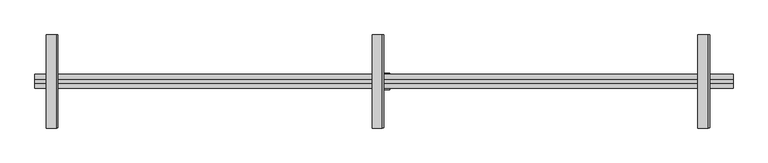
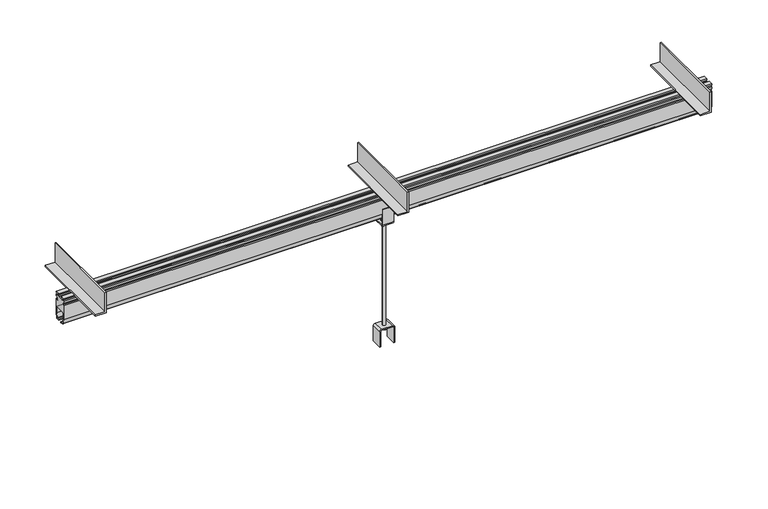
"""IFC4 building model written with IfcOpenShell, lengths in millimetres: proxy geometry."""

from ifc_helpers import new_model, si_unit, point, frame, frame_2d, origin, place, context, project, spatial, polyline, circle_curve, trimmed, segment, composite_curve, outline, extrude, source, transform, mapped, element, save
from ifc_brep_helpers import plane_surface, cylinder_surface, advanced_brep


def specialty_equipment_0fb477f2(model_context):
    return source(origin(), model_context, "Body", "SolidModel", [
        extrude(outline(composite_curve([segment(polyline([(120.0, -35.0), (46.0, -35.0), (46.0, -30.0), (120.0, -30.0)]), True, "CONTINUOUS"), segment(trimmed(circle_curve(frame_2d((120.0, -25.0)), 5.0), [point((120.0, -30.0))], [point((125.0, -25.0))], True, "CARTESIAN"), True, "CONTINUOUS"), segment(polyline([(125.0, -25.0), (125.0, 25.0)]), True, "CONTINUOUS"), segment(trimmed(circle_curve(frame_2d((120.0, 25.0)), 5.0), [point((125.0, 25.0))], [point((120.0, 30.0))], True, "CARTESIAN"), True, "CONTINUOUS"), segment(polyline([(120.0, 30.0), (46.0, 30.0), (46.0, 35.0), (120.0, 35.0)]), True, "CONTINUOUS"), segment(trimmed(circle_curve(frame_2d((120.0, 25.0)), 10.0), [point((120.0, 35.0))], [point((130.0, 25.0))], False, "CARTESIAN"), True, "CONTINUOUS"), segment(polyline([(130.0, 25.0), (130.0, -25.0)]), True, "CONTINUOUS"), segment(trimmed(circle_curve(frame_2d((120.0, -25.0)), 10.0), [point((130.0, -25.0))], [point((120.0, -35.0))], False, "CARTESIAN"), True, "CONTINUOUS")], self_intersect=False)), frame((0.0, 222.5, 0.0), z_axis=(0.0, 1.0, 0.0), x_axis=(0.0, 0.0, 1.0)), (0.0, 0.0, 1.0), 50.0),
        extrude(outline(polyline([(800.0, 1349.0), (800.0, 1399.0), (900.0, 1399.0), (900.0, 1393.0), (806.0, 1393.0), (806.0, 1349.0), (800.0, 1349.0)])), frame((0.0, 47.5, 0.0), z_axis=(0.0, 1.0, 0.0), x_axis=(0.0, 0.0, 1.0)), (0.0, 0.0, 1.0), 400.0),
        extrude(outline(polyline([(800.0, -1451.0), (800.0, -1401.0), (900.0, -1401.0), (900.0, -1407.0), (806.0, -1407.0), (806.0, -1451.0), (800.0, -1451.0)])), frame((0.0, 47.5, 0.0), z_axis=(0.0, 1.0, 0.0), x_axis=(0.0, 0.0, 1.0)), (0.0, 0.0, 1.0), 400.0),
        extrude(outline(composite_curve([segment(polyline([(212.5, 646.0), (212.5, 720.0), (217.5, 720.0), (217.5, 646.0)]), True, "CONTINUOUS"), segment(trimmed(circle_curve(frame_2d((222.5, 646.0)), 5.0), [point((217.5, 646.0))], [point((222.5, 641.0))], True, "CARTESIAN"), True, "CONTINUOUS"), segment(polyline([(222.5, 641.0), (272.5, 641.0)]), True, "CONTINUOUS"), segment(trimmed(circle_curve(frame_2d((272.5, 646.0)), 5.0), [point((272.5, 641.0))], [point((277.5, 646.0))], True, "CARTESIAN"), True, "CONTINUOUS"), segment(polyline([(277.5, 646.0), (277.5, 720.0), (282.5, 720.0), (282.5, 646.0)]), True, "CONTINUOUS"), segment(trimmed(circle_curve(frame_2d((272.5, 646.0)), 10.0), [point((282.5, 646.0))], [point((272.5, 636.0))], False, "CARTESIAN"), True, "CONTINUOUS"), segment(polyline([(272.5, 636.0), (222.5, 636.0)]), True, "CONTINUOUS"), segment(trimmed(circle_curve(frame_2d((222.5, 646.0)), 10.0), [point((222.5, 636.0))], [point((212.5, 646.0))], False, "CARTESIAN"), True, "CONTINUOUS")], self_intersect=False)), frame((-25.0, 0.0, 0.0), z_axis=(1.0, 0.0, 0.0), x_axis=(0.0, 1.0, 0.0)), (0.0, 0.0, 1.0), 50.0),
        extrude(outline(polyline([(800.0, -51.0), (800.0, -1.0), (900.0, -1.0), (900.0, -7.0), (806.0, -7.0), (806.0, -51.0), (800.0, -51.0)])), frame((0.0, 47.5, 0.0), z_axis=(0.0, 1.0, 0.0), x_axis=(0.0, 0.0, 1.0)), (0.0, 0.0, 1.0), 400.0),
        advanced_brep(
        [(8.0, 247.5, 125.0), (-8.0, 247.5, 125.0), (-8.0, 247.5, 641.0), (8.0, 247.5, 641.0), (13.0, 247.5, 125.0), (-13.0, 247.5, 125.0), (13.0, 247.5, 112.5), (-13.0, 247.5, 112.5), (0.0, 247.5, 112.5), (13.0, 247.5, 654.0), (-13.0, 247.5, 654.0), (0.0, 247.5, 654.0), (13.0, 247.5, 641.0), (-13.0, 247.5, 641.0)],
        [
            (0, 1, circle_curve(frame((0.0, 247.5, 125.0), z_axis=(0.0, 0.0, 1.0), x_axis=(-1.0, 0.0, 0.0)), 8.0)),
            (1, 2),
            (2, 3, circle_curve(frame((0.0, 247.5, 641.0), z_axis=(0.0, 0.0, -1.0), x_axis=(-1.0, 0.0, 0.0)), 8.0)),
            (3, 0),
            (1, 0, circle_curve(frame((0.0, 247.5, 125.0), z_axis=(0.0, 0.0, 1.0), x_axis=(-1.0, 0.0, 0.0)), 8.0)),
            (3, 2, circle_curve(frame((0.0, 247.5, 641.0), z_axis=(0.0, 0.0, -1.0), x_axis=(-1.0, 0.0, 0.0)), 8.0)),
            (4, 5, circle_curve(frame((0.0, 247.5, 125.0), z_axis=(0.0, 0.0, 1.0), x_axis=(-1.0, 0.0, 0.0)), 13.0)),
            (5, 1),
            (0, 4),
            (5, 4, circle_curve(frame((0.0, 247.5, 125.0), z_axis=(0.0, 0.0, 1.0), x_axis=(-1.0, 0.0, 0.0)), 13.0)),
            (6, 7, circle_curve(frame((0.0, 247.5, 112.5), z_axis=(0.0, 0.0, 1.0), x_axis=(-1.0, 0.0, 0.0)), 13.0)),
            (7, 5),
            (4, 6),
            (7, 6, circle_curve(frame((0.0, 247.5, 112.5), z_axis=(0.0, 0.0, 1.0), x_axis=(-1.0, 0.0, 0.0)), 13.0)),
            (8, 7),
            (6, 8),
            (9, 10, circle_curve(frame((0.0, 247.5, 654.0), z_axis=(0.0, 0.0, 1.0), x_axis=(-1.0, 0.0, 0.0)), 13.0)),
            (10, 11),
            (11, 9),
            (10, 9, circle_curve(frame((0.0, 247.5, 654.0), z_axis=(0.0, 0.0, 1.0), x_axis=(-1.0, 0.0, 0.0)), 13.0)),
            (12, 13, circle_curve(frame((0.0, 247.5, 641.0), z_axis=(0.0, 0.0, 1.0), x_axis=(-1.0, 0.0, 0.0)), 13.0)),
            (13, 10),
            (9, 12),
            (13, 12, circle_curve(frame((0.0, 247.5, 641.0), z_axis=(0.0, 0.0, 1.0), x_axis=(-1.0, 0.0, 0.0)), 13.0)),
            (2, 13),
            (12, 3),
        ],
        [
            cylinder_surface(frame((0.0, 247.5, 713.4767041), z_axis=(0.0, 0.0, -1.0), x_axis=(-1.0, 0.0, 0.0)), 8.0),
            plane_surface(frame((0.0, 247.5, 125.0), z_axis=(0.0, 0.0, 1.0), x_axis=(-1.0, 0.0, 0.0))),
            cylinder_surface(frame((0.0, 247.5, 713.4767041), z_axis=(0.0, 0.0, -1.0), x_axis=(-1.0, 0.0, 0.0)), 13.0),
            plane_surface(frame((0.0, 247.5, 112.5), z_axis=(0.0, 0.0, -1.0), x_axis=(-1.0, 0.0, 0.0))),
            plane_surface(frame((0.0, 247.5, 654.0), z_axis=(0.0, 0.0, 1.0), x_axis=(-1.0, 0.0, 0.0))),
            plane_surface(frame((0.0, 247.5, 641.0), z_axis=(0.0, 0.0, -1.0), x_axis=(-1.0, 0.0, 0.0))),
        ],
        [
            (0, [[1, 2, 3, 4]]),
            (0, [[5, -4, 6, -2]]),
            (1, [[7, 8, -1, 9]]),
            (1, [[10, -9, -5, -8]]),
            (2, [[11, 12, -7, 13]]),
            (2, [[14, -13, -10, -12]]),
            (3, [[15, -11, 16]]),
            (3, [[-16, -14, -15]]),
            (4, [[17, 18, 19]]),
            (4, [[20, -19, -18]]),
            (2, [[21, 22, -17, 23]]),
            (2, [[24, -23, -20, -22]]),
            (5, [[-3, 25, -21, 26]]),
            (5, [[-6, -26, -24, -25]]),
        ],
    ),
        extrude(outline(composite_curve([segment(polyline([(277.5, 764.75), (277.5, 695.1), (271.7674695, 673.7059048)]), True, "CONTINUOUS"), segment(trimmed(circle_curve(frame_2d((266.9378403, 675.0)), 5.0), [point((271.7674695, 673.7059048))], [point((266.9378403, 670.0))], False, "CARTESIAN"), True, "CONTINUOUS"), segment(polyline([(266.9378403, 670.0), (256.525, 670.0), (256.525, 674.0), (265.4031864, 674.0)]), True, "CONTINUOUS"), segment(trimmed(circle_curve(frame_2d((265.4031864, 677.0)), 3.0), [point((265.4031864, 674.0))], [point((268.3009638, 676.2235429))], True, "CARTESIAN"), True, "CONTINUOUS"), segment(polyline([(268.3009638, 676.2235429), (273.5, 695.62661), (273.5, 725.0)]), True, "CONTINUOUS"), segment(trimmed(circle_curve(frame_2d((268.5, 725.0)), 5.0), [point((273.5, 725.0))], [point((268.5, 730.0))], True, "CARTESIAN"), True, "CONTINUOUS"), segment(polyline([(268.5, 730.0), (226.5, 730.0)]), True, "CONTINUOUS"), segment(trimmed(circle_curve(frame_2d((226.5, 725.0)), 5.0), [point((226.5, 730.0))], [point((221.5, 725.0))], True, "CARTESIAN"), True, "CONTINUOUS"), segment(polyline([(221.5, 725.0), (221.5, 695.62661), (226.6990362, 676.2235429)]), True, "CONTINUOUS"), segment(trimmed(circle_curve(frame_2d((229.5968136, 677.0)), 3.0), [point((226.6990362, 676.2235429))], [point((229.5968136, 674.0))], True, "CARTESIAN"), True, "CONTINUOUS"), segment(polyline([(229.5968136, 674.0), (238.475, 674.0), (238.475, 670.0), (228.0621597, 670.0)]), True, "CONTINUOUS"), segment(trimmed(circle_curve(frame_2d((228.0621597, 675.0)), 5.0), [point((228.0621597, 670.0))], [point((223.2325305, 673.7059048))], False, "CARTESIAN"), True, "CONTINUOUS"), segment(polyline([(223.2325305, 673.7059048), (217.5, 695.1), (217.5, 764.75), (224.5, 764.75), (224.5, 776.75), (217.5, 776.75), (217.5, 787.0), (223.5, 787.0), (223.5, 794.0), (217.5, 794.0), (217.5, 800.0), (237.0, 800.0), (237.0, 794.0), (231.0, 794.0), (231.0, 787.0), (237.0, 787.0), (237.0, 784.0), (258.0, 784.0), (258.0, 787.0), (264.0, 787.0), (264.0, 794.0), (258.0, 794.0), (258.0, 800.0), (277.5, 800.0), (277.5, 794.0), (271.5, 794.0), (271.5, 787.0), (277.5, 787.0), (277.5, 776.75), (263.5, 776.75), (263.5, 764.75), (277.5, 764.75)]), True, "CONTINUOUS")], self_intersect=False)), frame((-1500.0, 0.0, 0.0), z_axis=(1.0, 0.0, 0.0), x_axis=(0.0, 1.0, 0.0)), (0.0, 0.0, 1.0), 3000.0),
    ])


if __name__ == "__main__":
    model = new_model("IFC4")
    model_context = context("Model", 3, world=origin())
    ifc_project = project(units=[si_unit("LENGTHUNIT", "METRE", prefix="MILLI")], contexts=[model_context])
    site = spatial("IfcSite", under=ifc_project)
    building = spatial("IfcBuilding", under=site)
    placement = place(None, origin())
    specialty_equipment_shape = specialty_equipment_0fb477f2(model_context)
    element("IfcBuildingElementProxy", 1, Name="Specialty Equipment", at=placement, inside=building, context=model_context, shape_type="MappedRepresentation", body=[
        mapped(specialty_equipment_shape, transform((0.0, 0.0, 0.0), x_axis=(1.0, 0.0, 0.0), y_axis=(0.0, 1.0, 0.0), z_axis=(0.0, 0.0, 1.0))),
    ])
    save(model, "model.ifc")
